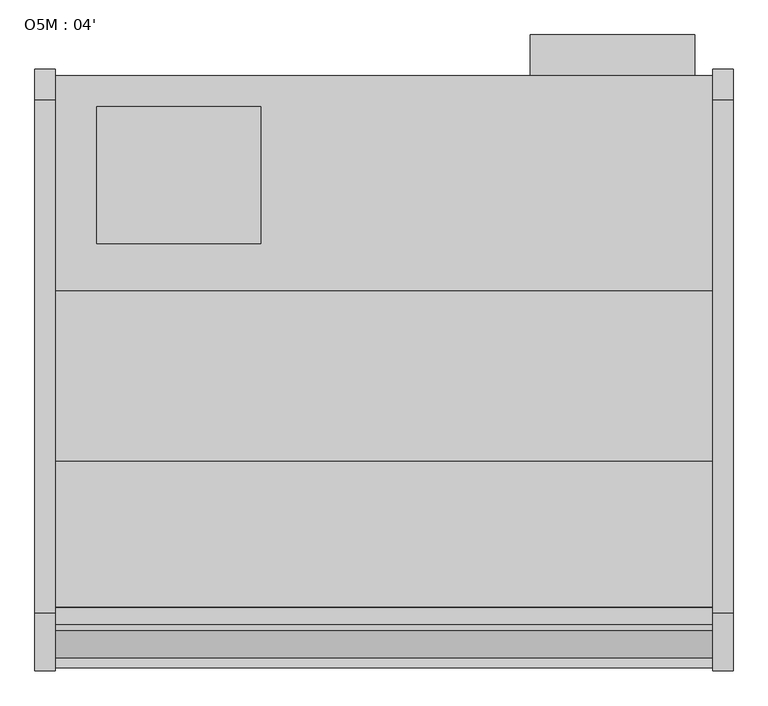
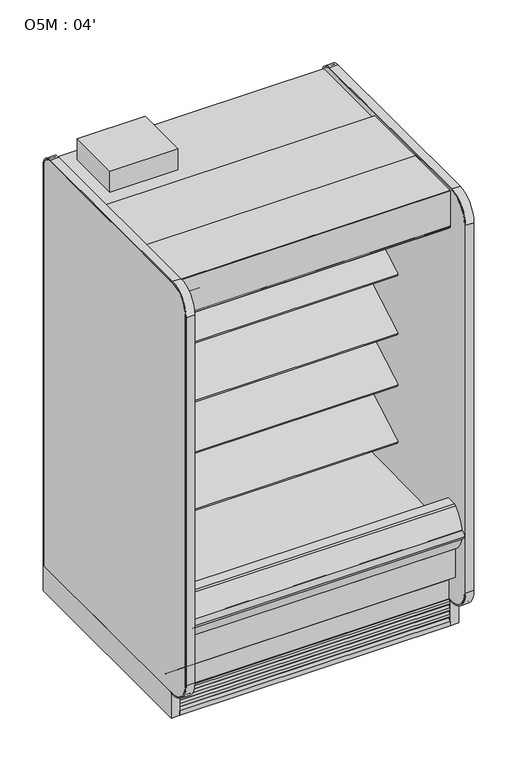
"""IFC4 building model written with IfcOpenShell, lengths in millimetres: proxy geometry, O5M : 04'."""

from ifc_helpers import new_model, si_unit, point, frame, frame_2d, origin, origin_with_axes, place, context, project, spatial, polyline, circle_curve, trimmed, segment, composite_curve, outline, extrude, faceted_brep, source, transform, mapped, element, save
from ifc_brep_helpers import plane_surface, cylinder_surface, revolved_surface, advanced_brep


def o5m_04_f3eb5bb6(model_context):
    return source(origin(), model_context, "Body", "SolidModel", [
        extrude(outline(polyline([(1186.0746572, -325.3089273), (1186.0746572, -401.5089273), (881.2156609, -401.5089273), (881.2156609, -325.3089273), (1186.0746572, -325.3089273)])), frame((0.0, 0.0, 487.7641214), z_axis=(0.0, 0.0, 1.0), x_axis=(1.0, 0.0, 0.0)), (0.0, 0.0, 1.0), 1371.6),
        extrude(outline(polyline([(381.0, -458.6589273), (381.0, -712.6589273), (76.2, -712.6589273), (76.2, -458.6589273), (381.0, -458.6589273)])), frame((0.0, 0.0, 2053.8264246), z_axis=(0.0, 0.0, 1.0), x_axis=(1.0, 0.0, 0.0)), (0.0, 0.0, 1.0), 101.6),
        extrude(outline(composite_curve([segment(polyline([(-1223.3628541, 1962.3210235), (-1255.895115, 1950.4802489)]), True, "CONTINUOUS"), segment(trimmed(circle_curve(frame_2d((-1256.3757176, 1951.8006938)), 1.4051881), [point((-1255.895115, 1950.4802489))], [point((-1256.9695758, 1950.5271609))], False, "CARTESIAN"), True, "CONTINUOUS"), segment(polyline([(-1256.9695758, 1950.5271609), (-1280.8329852, 1961.6548515)]), True, "CONTINUOUS"), segment(trimmed(circle_curve(frame_2d((-1281.445949, 1960.3403465)), 1.4503958), [point((-1280.8329852, 1961.6548515))], [point((-1281.7308358, 1961.7624883))], True, "CARTESIAN"), True, "CONTINUOUS"), segment(polyline([(-1281.7308358, 1961.7624883), (-1385.7279137, 1933.8965553), (-1386.0503089, 1932.9043249), (-1386.0503089, 1919.5570618), (-1386.9647089, 1919.5570618), (-1386.9647089, 1903.1893853)]), True, "CONTINUOUS"), segment(trimmed(circle_curve(frame_2d((-1385.3772089, 1903.1893853)), 1.5875), [point((-1386.9647089, 1903.1893853))], [point((-1385.8940483, 1901.6883745))], True, "CARTESIAN"), True, "CONTINUOUS"), segment(polyline([(-1385.8940483, 1901.6883745), (-1375.7025605, 1898.1791638)]), True, "CONTINUOUS"), segment(trimmed(circle_curve(frame_2d((-1375.1857211, 1899.6801746)), 1.5875), [point((-1375.7025605, 1898.1791638))], [point((-1374.0631891, 1898.5576426))], True, "CARTESIAN"), True, "CONTINUOUS"), segment(polyline([(-1374.0631891, 1898.5576426), (-1370.6686523, 1901.9521794), (-1370.1043685, 1901.3878956), (-1373.6142806, 1898.1085254)]), True, "CONTINUOUS"), segment(trimmed(circle_curve(frame_2d((-1375.1856584, 1899.6799031)), 2.2222637), [point((-1373.6142806, 1898.1085254))], [point((-1375.9092963, 1897.5787596))], False, "CARTESIAN"), True, "CONTINUOUS"), segment(polyline([(-1375.9092963, 1897.5787596), (-1386.1540366, 1901.1070681)]), True, "CONTINUOUS"), segment(trimmed(circle_curve(frame_2d((-1385.3772089, 1903.1893853)), 2.2225), [point((-1386.1540366, 1901.1070681))], [point((-1387.5997089, 1903.1893853))], False, "CARTESIAN"), True, "CONTINUOUS"), segment(polyline([(-1387.5997089, 1903.1893853), (-1387.5997089, 2005.4901368), (-1352.415, 2053.8264246), (-1280.5248155, 2053.8264246), (-1280.5248155, 2003.6360246), (-1220.831024, 2003.6360246), (-1220.831024, 1914.23035)]), True, "CONTINUOUS"), segment(trimmed(circle_curve(frame_2d((-1218.9441858, 1914.23035)), 1.8868382), [point((-1220.831024, 1914.23035))], [point((-1219.3143335, 1912.3801746))], True, "CARTESIAN"), True, "CONTINUOUS"), segment(polyline([(-1219.3143335, 1912.3801746), (-1211.3098155, 1912.3801746), (-1211.3098155, 1911.5761369), (-1220.1967179, 1911.5761369)]), True, "CONTINUOUS"), segment(trimmed(circle_curve(frame_2d((-1220.1967179, 1913.8074915)), 2.2313546), [point((-1220.1967179, 1911.5761369))], [point((-1222.4223155, 1913.9676746))], False, "CARTESIAN"), True, "CONTINUOUS"), segment(polyline([(-1222.4223155, 1913.9676746), (-1222.4223155, 1917.7806084), (-1223.2619623, 1917.5556257), (-1229.5259839, 1917.5556257), (-1229.5259839, 1918.4700257), (-1223.4631915, 1918.4700257), (-1222.7791089, 1918.864981), (-1222.7791089, 1961.9122807)]), True, "CONTINUOUS"), segment(trimmed(circle_curve(frame_2d((-1223.2140839, 1961.9122807)), 0.434975), [point((-1222.7791089, 1961.9122807))], [point((-1223.3628541, 1962.3210235))], True, "CARTESIAN"), True, "CONTINUOUS")], self_intersect=False)), frame((0.0, 0.0, 0.0), z_axis=(1.0, 0.0, 0.0), x_axis=(0.0, 1.0, 0.0)), (0.0, 0.0, 1.0), 1219.2),
        extrude(outline(composite_curve([segment(polyline([(-1116.9246089, 2072.8764246), (-1116.9246089, 2072.0890246), (-1386.8059589, 2072.0890246)]), True, "CONTINUOUS"), segment(trimmed(circle_curve(frame_2d((-1386.8059589, 2071.2952746)), 0.79375), [point((-1386.8059589, 2072.0890246))], [point((-1387.5997089, 2071.2952746))], True, "CARTESIAN"), True, "CONTINUOUS"), segment(polyline([(-1387.5997089, 2071.2952746), (-1387.5997089, 1896.6893246)]), True, "CONTINUOUS"), segment(trimmed(circle_curve(frame_2d((-1386.8059589, 1896.6893246)), 0.79375), [point((-1387.5997089, 1896.6893246))], [point((-1386.8059589, 1895.8955746))], True, "CARTESIAN"), True, "CONTINUOUS"), segment(polyline([(-1386.8059589, 1895.8955746), (-1363.7745089, 1895.8955746)]), True, "CONTINUOUS"), segment(trimmed(circle_curve(frame_2d((-1363.7745089, 1896.6893246)), 0.79375), [point((-1363.7745089, 1895.8955746))], [point((-1362.9807589, 1896.6893246))], True, "CARTESIAN"), True, "CONTINUOUS"), segment(polyline([(-1362.9807589, 1896.6893246), (-1362.9807589, 1907.8081746), (-1362.1933589, 1907.8081746), (-1362.1933589, 1896.6893246)]), True, "CONTINUOUS"), segment(trimmed(circle_curve(frame_2d((-1363.7745089, 1896.6893246)), 1.58115), [point((-1362.1933589, 1896.6893246))], [point((-1363.7745089, 1895.1081746))], False, "CARTESIAN"), True, "CONTINUOUS"), segment(polyline([(-1363.7745089, 1895.1081746), (-1386.8059589, 1895.1081746)]), True, "CONTINUOUS"), segment(trimmed(circle_curve(frame_2d((-1386.8059589, 1896.6893246)), 1.58115), [point((-1386.8059589, 1895.1081746))], [point((-1388.3871089, 1896.6893246))], False, "CARTESIAN"), True, "CONTINUOUS"), segment(polyline([(-1388.3871089, 1896.6893246), (-1388.3871089, 2071.2952746)]), True, "CONTINUOUS"), segment(trimmed(circle_curve(frame_2d((-1386.8059589, 2071.2952746)), 1.58115), [point((-1388.3871089, 2071.2952746))], [point((-1386.8059589, 2072.8764246))], False, "CARTESIAN"), True, "CONTINUOUS"), segment(polyline([(-1386.8059589, 2072.8764246), (-1116.9246089, 2072.8764246)]), True, "CONTINUOUS")], self_intersect=False)), frame((0.0, 0.0, 0.0), z_axis=(1.0, 0.0, 0.0), x_axis=(0.0, 1.0, 0.0)), (0.0, 0.0, 1.0), 1219.2),
        extrude(outline(composite_curve([segment(trimmed(circle_curve(frame_2d((1019.7213661, -973.0089273)), 12.7), [point((1007.0213661, -973.0089273))], [point((1032.4213661, -973.0089273))], False, "CARTESIAN"), True, "CONTINUOUS"), segment(trimmed(circle_curve(frame_2d((1019.7213661, -973.0089273)), 12.7), [point((1032.4213661, -973.0089273))], [point((1007.0213661, -973.0089273))], False, "CARTESIAN"), True, "CONTINUOUS")], self_intersect=False)), frame((0.0, 0.0, 66.7090149), z_axis=(0.0, 0.0, 1.0), x_axis=(1.0, 0.0, 0.0)), (0.0, 0.0, 1.0), 57.1159851),
        extrude(outline(composite_curve([segment(trimmed(circle_curve(frame_2d((970.2446927, -973.0089273)), 9.525), [point((960.7196927, -973.0089273))], [point((979.7696927, -973.0089273))], False, "CARTESIAN"), True, "CONTINUOUS"), segment(trimmed(circle_curve(frame_2d((970.2446927, -973.0089273)), 9.525), [point((979.7696927, -973.0089273))], [point((960.7196927, -973.0089273))], False, "CARTESIAN"), True, "CONTINUOUS")], self_intersect=False)), frame((0.0, 0.0, 66.7090149), z_axis=(0.0, 0.0, 1.0), x_axis=(1.0, 0.0, 0.0)), (0.0, 0.0, 1.0), 57.1159851),
        extrude(outline(composite_curve([segment(polyline([(-504.9331995, 1155.9321635), (-504.9331995, 1090.8241822), (-525.0625548, 1079.2024935)]), True, "CONTINUOUS"), segment(trimmed(circle_curve(frame_2d((-538.1347002, 1100.9804414)), 25.4), [point((-525.0625548, 1079.2024935))], [point((-542.0987552, 1075.8916737))], False, "CARTESIAN"), True, "CONTINUOUS"), segment(polyline([(-542.0987552, 1075.8916737), (-564.7817265, 1079.47561)]), True, "CONTINUOUS"), segment(trimmed(circle_curve(frame_2d((-574.6918641, 1016.7536906)), 63.5), [point((-564.7817265, 1079.47561))], [point((-599.3555643, 1075.2682349))], True, "CARTESIAN"), True, "CONTINUOUS"), segment(polyline([(-599.3555643, 1075.2682349), (-848.9833062, 958.5086882), (-851.9929005, 960.7439055), (-975.1938258, 889.6138181), (-982.3058258, 901.9321635), (-542.3649207, 1155.9321635), (-504.9331995, 1155.9321635)]), True, "CONTINUOUS")], self_intersect=False)), frame((0.0, 0.0, 0.0), z_axis=(1.0, 0.0, 0.0), x_axis=(0.0, 1.0, 0.0)), (0.0, 0.0, 1.0), 1219.2),
        extrude(outline(composite_curve([segment(polyline([(-504.9331995, 883.8140898), (-504.9331995, 818.7061085), (-525.0625548, 807.0844198)]), True, "CONTINUOUS"), segment(trimmed(circle_curve(frame_2d((-538.1347002, 828.8623677)), 25.4), [point((-525.0625548, 807.0844198))], [point((-542.0987552, 803.7736))], False, "CARTESIAN"), True, "CONTINUOUS"), segment(polyline([(-542.0987552, 803.7736), (-564.7817265, 807.3575363)]), True, "CONTINUOUS"), segment(trimmed(circle_curve(frame_2d((-574.6918641, 744.6356169)), 63.5), [point((-564.7817265, 807.3575363))], [point((-599.3555643, 803.1501612))], True, "CARTESIAN"), True, "CONTINUOUS"), segment(polyline([(-599.3555643, 803.1501612), (-848.9833062, 686.3906146), (-851.9929005, 688.6258319), (-975.1938258, 617.4957444), (-982.3058258, 629.8140898), (-542.3649207, 883.8140898), (-504.9331995, 883.8140898)]), True, "CONTINUOUS")], self_intersect=False)), frame((0.0, 0.0, 0.0), z_axis=(1.0, 0.0, 0.0), x_axis=(0.0, 1.0, 0.0)), (0.0, 0.0, 1.0), 1219.2),
        extrude(outline(composite_curve([segment(polyline([(-504.9331995, 1400.2899942), (-504.9331995, 1335.182013), (-525.0625548, 1323.5603243)]), True, "CONTINUOUS"), segment(trimmed(circle_curve(frame_2d((-538.1347002, 1345.3382722)), 25.4), [point((-525.0625548, 1323.5603243))], [point((-542.0987552, 1320.2495044))], False, "CARTESIAN"), True, "CONTINUOUS"), segment(polyline([(-542.0987552, 1320.2495044), (-564.7817265, 1323.8334408)]), True, "CONTINUOUS"), segment(trimmed(circle_curve(frame_2d((-574.6918641, 1261.1115214)), 63.5), [point((-564.7817265, 1323.8334408))], [point((-599.3555643, 1319.6260657))], True, "CARTESIAN"), True, "CONTINUOUS"), segment(polyline([(-599.3555643, 1319.6260657), (-848.9833062, 1202.866519), (-851.9929005, 1205.1017363), (-975.1938258, 1133.9716489), (-982.3058258, 1146.2899942), (-542.3649207, 1400.2899942), (-504.9331995, 1400.2899942)]), True, "CONTINUOUS")], self_intersect=False)), frame((0.0, 0.0, 0.0), z_axis=(1.0, 0.0, 0.0), x_axis=(0.0, 1.0, 0.0)), (0.0, 0.0, 1.0), 1219.2),
        extrude(outline(polyline([(711.2, -1346.7911816), (403.225, -1346.7911816), (403.225, -1249.5865659), (711.2, -1249.5865659), (711.2, -1346.7911816)])), frame((0.0, 0.0, 53.2186364), z_axis=(0.0, 0.0, 1.0), x_axis=(1.0, 0.0, 0.0)), (0.0, 0.0, 1.0), 9.8914),
        faceted_brep([(1219.2, -1207.9589273, 130.175), (1219.2, -1275.0830824, 130.175), (1219.2, -1369.8839273, 206.7143253), (1219.2, -1369.8839273, 10.9768116), (1219.2, -1207.9589273, 10.9768116), (0.0, -1207.9589273, 130.175), (0.0, -1207.9589273, 10.9768116), (0.0, -1369.8839273, 10.9768116), (0.0, -1369.8839273, 206.7143253), (0.0, -1275.0830824, 130.175), (711.2, -1346.7911816, 10.9768116), (711.2, -1249.5865659, 10.9768116), (403.225, -1249.5865659, 10.9768116), (403.225, -1346.7911816, 10.9768116), (711.2, -1346.7911816, 63.1100364), (403.225, -1346.7911816, 63.1100364), (403.225, -1249.5865659, 63.1100364), (711.2, -1249.5865659, 63.1100364)], [[[0, 1, 2, 3, 4]], [[5, 6, 7, 8, 9]], [[1, 0, 5, 9]], [[2, 1, 9, 8]], [[3, 2, 8, 7]], [[4, 3, 7, 6], [10, 11, 12, 13]], [[0, 4, 6, 5]], [[14, 15, 16, 17]], [[14, 17, 11, 10]], [[17, 16, 12, 11]], [[16, 15, 13, 12]], [[15, 14, 10, 13]]]),
        extrude(outline(composite_curve([segment(trimmed(circle_curve(frame_2d((368.3, 1139.6090336)), 12.7), [point((368.3, 1152.3090336))], [point((368.3, 1126.9090336))], False, "CARTESIAN"), True, "CONTINUOUS"), segment(trimmed(circle_curve(frame_2d((368.3, 1139.6090336)), 12.7), [point((368.3, 1126.9090336))], [point((368.3, 1152.3090336))], False, "CARTESIAN"), True, "CONTINUOUS")], self_intersect=False)), frame((0.0, -447.5561252, 0.0), z_axis=(0.0, 1.0, 0.0), x_axis=(0.0, 0.0, 1.0)), (0.0, 0.0, 1.0), 52.3971979),
        extrude(outline(composite_curve([segment(trimmed(circle_curve(frame_2d((368.3, 1101.1972115)), 9.525), [point((368.3, 1110.7222115))], [point((368.3, 1091.6722115))], False, "CARTESIAN"), True, "CONTINUOUS"), segment(trimmed(circle_curve(frame_2d((368.3, 1101.1972115)), 9.525), [point((368.3, 1091.6722115))], [point((368.3, 1110.7222115))], False, "CARTESIAN"), True, "CONTINUOUS")], self_intersect=False)), frame((0.0, -447.5561252, 0.0), z_axis=(0.0, 1.0, 0.0), x_axis=(0.0, 0.0, 1.0)), (0.0, 0.0, 1.0), 52.3971979),
        extrude(outline(composite_curve([segment(polyline([(-451.7851762, 2003.6360246), (-451.7851762, 404.745884), (-504.9331995, 404.745884), (-504.9331995, 1926.7316344)]), True, "CONTINUOUS"), segment(trimmed(circle_curve(frame_2d((-530.2144075, 1924.2779595)), 25.4), [point((-504.9331995, 1926.7316344))], [point((-530.1770065, 1949.6779319))], True, "CARTESIAN"), True, "CONTINUOUS"), segment(polyline([(-530.1770065, 1949.6779319), (-1117.9341687, 1949.6779319), (-1117.9341687, 1918.6360743)]), True, "CONTINUOUS"), segment(trimmed(circle_curve(frame_2d((-1120.1564596, 1918.6360743)), 2.2222909), [point((-1117.9341687, 1918.6360743))], [point((-1120.1564596, 1916.4137834))], False, "CARTESIAN"), True, "CONTINUOUS"), segment(polyline([(-1120.1564596, 1916.4137834), (-1129.6207909, 1916.4137834)]), True, "CONTINUOUS"), segment(trimmed(circle_curve(frame_2d((-1129.6207909, 1916.7312834)), 0.3175), [point((-1129.6207909, 1916.4137834))], [point((-1129.6207909, 1917.0487834))], False, "CARTESIAN"), True, "CONTINUOUS"), segment(polyline([(-1129.6207909, 1917.0487834), (-1120.1566687, 1917.0487834)]), True, "CONTINUOUS"), segment(trimmed(circle_curve(frame_2d((-1120.1566687, 1918.6362834)), 1.5875), [point((-1120.1566687, 1917.0487834))], [point((-1118.5691687, 1918.6362834))], True, "CARTESIAN"), True, "CONTINUOUS"), segment(polyline([(-1118.5691687, 1918.6362834), (-1118.5691687, 1942.4487846), (-1220.1998155, 1942.4487846), (-1220.1998155, 1918.6362834)]), True, "CONTINUOUS"), segment(trimmed(circle_curve(frame_2d((-1218.6123155, 1918.6362834)), 1.5875), [point((-1220.1998155, 1918.6362834))], [point((-1218.6123155, 1917.0487834))], True, "CARTESIAN"), True, "CONTINUOUS"), segment(polyline([(-1218.6123155, 1917.0487834), (-1209.9959099, 1917.0487834)]), True, "CONTINUOUS"), segment(trimmed(circle_curve(frame_2d((-1209.9959099, 1916.7312834)), 0.3175), [point((-1209.9959099, 1917.0487834))], [point((-1209.9959099, 1916.4137834))], False, "CARTESIAN"), True, "CONTINUOUS"), segment(polyline([(-1209.9959099, 1916.4137834), (-1218.6125246, 1916.4137834)]), True, "CONTINUOUS"), segment(trimmed(circle_curve(frame_2d((-1218.6125246, 1918.6360743)), 2.2222909), [point((-1218.6125246, 1916.4137834))], [point((-1220.8348155, 1918.6362834))], False, "CARTESIAN"), True, "CONTINUOUS"), segment(polyline([(-1220.8348155, 1918.6362834), (-1220.8268179, 2003.6360246), (-451.7851762, 2003.6360246)]), True, "CONTINUOUS")], self_intersect=False)), frame((0.0, 0.0, 0.0), z_axis=(1.0, 0.0, 0.0), x_axis=(0.0, 1.0, 0.0)), (0.0, 0.0, 1.0), 1219.2),
        advanced_brep(
        [(1219.2, -1428.7889874, 391.24255), (1219.2, -1428.7889874, 254.2724833), (1219.2, -1275.0830824, 130.175), (1219.2, -401.5089273, 130.175), (1219.2, -401.5089273, 2053.8264246), (1219.2, -1280.5248155, 2053.8264246), (1219.2, -1280.5248155, 2003.6360246), (1219.2, -451.7851762, 2003.6360246), (1219.2, -451.7851762, 363.9695251), (1219.2, -599.5014929, 211.662363), (1219.2, -1043.5931205, 195.6779213), (1219.2, -1096.7050237, 157.095884), (1219.2, -1163.5210307, 157.095884), (1219.2, -1221.5656168, 189.2720563), (1219.2, -1379.2843872, 341.5792153), (1219.2, -1379.2843872, 391.24255), (0.0, -1428.7889874, 391.24255), (0.0, -1379.2843872, 391.24255), (0.0, -1379.2843872, 341.5792153), (0.0, -1221.5656168, 189.2720563), (0.0, -1163.5210307, 157.095884), (0.0, -1096.7050237, 157.095884), (0.0, -1043.5931205, 195.6779213), (0.0, -599.5014929, 211.662363), (0.0, -451.7851762, 363.9695251), (0.0, -451.7851762, 2003.6360246), (0.0, -1280.5248155, 2003.6360246), (0.0, -1280.5248155, 2053.8264246), (0.0, -401.5089273, 2053.8264246), (0.0, -401.5089273, 130.175), (0.0, -1275.0830824, 130.175), (0.0, -1428.7889874, 254.2724833), (1117.6, -401.5089273, 317.5), (1117.6, -401.5089273, 419.1), (1117.6, -447.5561252, 317.5), (1117.6, -447.5561252, 419.1)],
        [
            (0, 1),
            (1, 2),
            (2, 3),
            (3, 4),
            (4, 5),
            (5, 6),
            (6, 7),
            (7, 8),
            (8, 9, circle_curve(frame((1219.2, -605.0132276, 364.7934683), z_axis=(-1.0, 0.0, 0.0), x_axis=(0.0, 1.0, 0.0)), 153.2302667)),
            (9, 10),
            (10, 11),
            (11, 12),
            (12, 13),
            (13, 14, circle_curve(frame((1219.2, -1226.8843872, 341.5792153), z_axis=(-1.0, 0.0, 0.0), x_axis=(0.0, 1.0, 0.0)), 152.4)),
            (14, 15),
            (15, 0),
            (16, 17),
            (17, 18),
            (18, 19, circle_curve(frame((0.0, -1226.8843872, 341.5792153), z_axis=(1.0, 0.0, 0.0), x_axis=(0.0, 1.0, 0.0)), 152.4)),
            (19, 20),
            (20, 21),
            (21, 22),
            (22, 23),
            (23, 24, circle_curve(frame((0.0, -605.0132276, 364.7934683), z_axis=(1.0, 0.0, 0.0), x_axis=(0.0, 1.0, 0.0)), 153.2302667)),
            (24, 25),
            (25, 26),
            (26, 27),
            (27, 28),
            (28, 29),
            (29, 30),
            (30, 31),
            (31, 16),
            (0, 16),
            (31, 1),
            (30, 2),
            (29, 3),
            (28, 4),
            (32, 33, circle_curve(frame((1117.6, -401.5089273, 368.3), z_axis=(0.0, -1.0, 0.0), x_axis=(0.0, 0.0, 1.0)), 50.8)),
            (33, 32, circle_curve(frame((1117.6, -401.5089273, 368.3), z_axis=(0.0, -1.0, 0.0), x_axis=(0.0, 0.0, 1.0)), 50.8)),
            (27, 5),
            (26, 6),
            (25, 7),
            (24, 8),
            (23, 9),
            (22, 10),
            (21, 11),
            (20, 12),
            (19, 13),
            (18, 14),
            (17, 15),
            (34, 35, circle_curve(frame((1117.6, -447.5561252, 368.3), z_axis=(0.0, 1.0, 0.0), x_axis=(0.0, 0.0, 1.0)), 50.8)),
            (35, 34, circle_curve(frame((1117.6, -447.5561252, 368.3), z_axis=(0.0, 1.0, 0.0), x_axis=(0.0, 0.0, 1.0)), 50.8)),
            (35, 33),
            (32, 34),
        ],
        [
            plane_surface(frame((1219.2, -1428.7889874, 254.2724833), z_axis=(1.0, 0.0, 0.0), x_axis=(0.0, 0.0, -1.0))),
            plane_surface(frame((0.0, -1428.7889874, 254.2724833), z_axis=(-1.0, 0.0, 0.0), x_axis=(0.0, 0.0, 1.0))),
            plane_surface(frame((1219.2, -1428.7889874, 391.24255), z_axis=(0.0, -1.0, 0.0), x_axis=(-1.0, 0.0, 0.0))),
            plane_surface(frame((1219.2, -1428.7889874, 254.2724833), z_axis=(0.0, -0.6281851642637378, -0.7780638787393622), x_axis=(-1.0, 0.0, 0.0))),
            plane_surface(frame((1219.2, -1275.0830824, 130.175), z_axis=(0.0, 0.0, -1.0), x_axis=(-1.0, 0.0, 0.0))),
            plane_surface(frame((1219.2, -401.5089273, 130.175), z_axis=(0.0, 1.0, 0.0), x_axis=(-1.0, 0.0, 0.0))),
            plane_surface(frame((1219.2, -401.5089273, 2053.8264246), z_axis=(0.0, 0.0, 1.0), x_axis=(-1.0, 0.0, 0.0))),
            plane_surface(frame((1219.2, -1280.5248155, 2053.8264246), z_axis=(0.0, -1.0, 0.0), x_axis=(-1.0, 0.0, 0.0))),
            plane_surface(frame((1219.2, -1280.5248155, 2003.6360246), z_axis=(0.0, 0.0, -1.0), x_axis=(-1.0, 0.0, 0.0))),
            plane_surface(frame((1219.2, -451.7851762, 2003.6360246), z_axis=(0.0, -1.0, 0.0), x_axis=(-1.0, 0.0, 0.0))),
            revolved_surface(polyline([(0.0, -451.78296090000003, 364.7934683), (1219.2, -451.78296090000003, 364.7934683)]), (0.0, -605.0132276, 364.7934683), (-1.0, 0.0, 0.0)),
            plane_surface(frame((1219.2, -599.5014929, 211.662363), z_axis=(0.0, -0.035970274152171335, 0.9993528602938092), x_axis=(-1.0, 0.0, 0.0))),
            plane_surface(frame((1219.2, -1043.5931205, 195.6779213), z_axis=(0.0, -0.5877252382160976, 0.8090605937529224), x_axis=(-1.0, 0.0, 0.0))),
            plane_surface(frame((1219.2, -1096.7050237, 157.095884), z_axis=(0.0, 0.0, 1.0), x_axis=(-1.0, 0.0, 0.0))),
            plane_surface(frame((1219.2, -1163.5210307, 157.095884), z_axis=(0.0, 0.48482728759131516, 0.8746099137368889), x_axis=(-1.0, 0.0, 0.0))),
            revolved_surface(polyline([(0.0, -1074.4843872, 341.5792153), (1219.2, -1074.4843872, 341.5792153)]), (0.0, -1226.8843872, 341.5792153), (-1.0, 0.0, 0.0)),
            plane_surface(frame((1219.2, -1379.2843872, 341.5792153), z_axis=(0.0, 1.0, 0.0), x_axis=(-1.0, 0.0, 0.0))),
            plane_surface(frame((1219.2, -1379.2843872, 391.24255), z_axis=(0.0, 0.0, 1.0), x_axis=(-1.0, 0.0, 0.0))),
            plane_surface(frame((1117.6, -447.5561252, 419.1), z_axis=(0.0, 1.0, 0.0), x_axis=(-1.0, 0.0, 0.0))),
            revolved_surface(polyline([(1117.6, -447.5561252, 419.1), (1117.6, -401.5089273, 419.1)]), (1117.6, -401.5089273, 368.3), (0.0, -1.0, 0.0)),
        ],
        [
            (0, [[1, 2, 3, 4, 5, 6, 7, 8, 9, 10, 11, 12, 13, 14, 15, 16]]),
            (1, [[17, 18, 19, 20, 21, 22, 23, 24, 25, 26, 27, 28, 29, 30, 31, 32]]),
            (2, [[-1, 33, -32, 34]]),
            (3, [[-2, -34, -31, 35]]),
            (4, [[-3, -35, -30, 36]]),
            (5, [[-4, -36, -29, 37], [38, 39]]),
            (6, [[-5, -37, -28, 40]]),
            (7, [[-6, -40, -27, 41]]),
            (8, [[-7, -41, -26, 42]]),
            (9, [[-8, -42, -25, 43]]),
            (10, [[-9, -43, -24, 44]]),
            (11, [[-10, -44, -23, 45]]),
            (12, [[-11, -45, -22, 46]]),
            (13, [[-12, -46, -21, 47]]),
            (14, [[-13, -47, -20, 48]]),
            (15, [[-14, -48, -19, 49]]),
            (16, [[-15, -49, -18, 50]]),
            (17, [[-16, -50, -17, -33]]),
            (18, [[51, 52]]),
            (19, [[-52, 53, -38, 54]]),
            (19, [[-51, -54, -39, -53]]),
        ],
    ),
        advanced_brep(
        [(1219.2, -1221.5656168, 189.2720563), (1219.2, -1163.5210307, 157.095884), (1219.2, -1096.7050237, 157.095884), (1219.2, -1043.5931205, 195.6779213), (1219.2, -599.5014929, 211.662363), (1219.2, -451.7851762, 363.9695251), (1219.2, -451.7851762, 404.745884), (1219.2, -504.9543965, 404.745884), (1219.2, -504.9543965, 468.8781737), (1219.2, -516.6398058, 457.951581), (1219.2, -611.5826347, 451.2993262), (1219.2, -611.5826347, 459.5548668), (1219.2, -1324.1043965, 447.1177532), (1219.2, -1324.1043965, 521.1947919), (1219.2, -1379.2843872, 521.1947919), (1219.2, -1379.2843872, 341.5792153), (0.0, -1221.5656168, 189.2720563), (0.0, -1379.2843872, 341.5792153), (0.0, -1379.2843872, 521.1947919), (0.0, -1324.1043965, 521.1947919), (0.0, -1324.1043965, 447.1177532), (0.0, -611.5826347, 459.5548668), (0.0, -611.5826347, 451.2993262), (0.0, -516.6285003, 457.9391661), (0.0, -504.9543965, 468.8781737), (0.0, -504.9543965, 404.745884), (0.0, -451.7851762, 404.745884), (0.0, -451.7851762, 363.9695251), (0.0, -599.5014929, 211.662363), (0.0, -1043.5931205, 195.6779213), (0.0, -1096.7050237, 157.095884), (0.0, -1163.5210307, 157.095884)],
        [
            (0, 1),
            (1, 2),
            (2, 3),
            (3, 4),
            (4, 5, circle_curve(frame((1219.2, -605.0132276, 364.7934683), z_axis=(1.0, 0.0, 0.0), x_axis=(0.0, 1.0, 0.0)), 153.2302667)),
            (5, 6),
            (6, 7),
            (7, 8),
            (8, 9, circle_curve(frame((1219.2, -517.5249667, 470.6099714), z_axis=(-1.0, 0.0, 0.0), x_axis=(0.0, 1.0, 0.0)), 12.689301)),
            (9, 10),
            (10, 11),
            (11, 12),
            (12, 13),
            (13, 14),
            (14, 15),
            (15, 0, circle_curve(frame((1219.2, -1226.8843872, 341.5792153), z_axis=(1.0, 0.0, 0.0), x_axis=(0.0, 1.0, 0.0)), 152.4)),
            (16, 17, circle_curve(frame((0.0, -1226.8843872, 341.5792153), z_axis=(-1.0, 0.0, 0.0), x_axis=(0.0, 1.0, 0.0)), 152.4)),
            (17, 18),
            (18, 19),
            (19, 20),
            (20, 21),
            (21, 22),
            (22, 23),
            (23, 24, circle_curve(frame((0.0, -517.5249667, 470.6099714), z_axis=(1.0, 0.0, 0.0), x_axis=(0.0, 1.0, 0.0)), 12.689301)),
            (24, 25),
            (25, 26),
            (26, 27),
            (27, 28, circle_curve(frame((0.0, -605.0132276, 364.7934683), z_axis=(-1.0, 0.0, 0.0), x_axis=(0.0, 1.0, 0.0)), 153.2302667)),
            (28, 29),
            (29, 30),
            (30, 31),
            (31, 16),
            (14, 18),
            (17, 15),
            (16, 0),
            (31, 1),
            (30, 2),
            (29, 3),
            (28, 4),
            (27, 5),
            (26, 6),
            (25, 7),
            (24, 8),
            (23, 9),
            (22, 10),
            (21, 11),
            (20, 12),
            (19, 13),
        ],
        [
            plane_surface(frame((1219.2, -1221.5656168, 189.2720563), z_axis=(1.0, 0.0, 0.0), x_axis=(0.0, 0.8746099137368883, -0.48482728759131605))),
            plane_surface(frame((0.0, -1221.5656168, 189.2720563), z_axis=(-1.0, 0.0, 0.0), x_axis=(0.0, -0.8746099137368883, 0.48482728759131605))),
            plane_surface(frame((1219.2, -1379.2843872, 521.1947919), z_axis=(0.0, -1.0, 0.0), x_axis=(-1.0, 0.0, 0.0))),
            cylinder_surface(frame((0.0, -1226.8843872, 341.5792153), z_axis=(1.0, 0.0, 0.0), x_axis=(0.0, 1.0, 0.0)), 152.4),
            plane_surface(frame((1219.2, -1221.5656168, 189.2720563), z_axis=(0.0, -0.48482728759131605, -0.8746099137368883), x_axis=(-1.0, 0.0, 0.0))),
            plane_surface(frame((1219.2, -1163.5210307, 157.095884), z_axis=(0.0, 0.0, -1.0), x_axis=(-1.0, 0.0, 0.0))),
            plane_surface(frame((1219.2, -1096.7050237, 157.095884), z_axis=(0.0, 0.5877252382160976, -0.8090605937529224), x_axis=(-1.0, 0.0, 0.0))),
            plane_surface(frame((1219.2, -1043.5931205, 195.6779213), z_axis=(0.0, 0.03597027415217135, -0.9993528602938092), x_axis=(-1.0, 0.0, 0.0))),
            cylinder_surface(frame((0.0, -605.0132276, 364.7934683), z_axis=(1.0, 0.0, 0.0), x_axis=(0.0, 1.0, 0.0)), 153.2302667),
            plane_surface(frame((1219.2, -451.7851762, 363.9695251), z_axis=(0.0, 1.0, 0.0), x_axis=(-1.0, 0.0, 0.0))),
            plane_surface(frame((1219.2, -451.7851762, 404.745884), z_axis=(0.0, 0.0, 1.0), x_axis=(-1.0, 0.0, 0.0))),
            plane_surface(frame((1219.2, -504.9543965, 404.745884), z_axis=(0.0, 1.0, 0.0), x_axis=(-1.0, 0.0, 0.0))),
            revolved_surface(polyline([(0.0, -504.83566570000005, 470.6099714), (1219.2, -504.83566570000005, 470.6099714)]), (0.0, -517.5249667, 470.6099714), (-1.0, 0.0, 0.0)),
            plane_surface(frame((1219.2, -516.6285003, 457.9391661), z_axis=(0.0, -0.06975647369769093, 0.9975640502630714), x_axis=(-1.0, 0.0, 0.0))),
            plane_surface(frame((1219.2, -611.5826347, 451.2993262), z_axis=(0.0, 1.0, 0.0), x_axis=(-1.0, 0.0, 0.0))),
            plane_surface(frame((1219.2, -611.5826347, 459.5548668), z_axis=(0.0, -0.017452406437283387, 0.9998476951563913), x_axis=(-1.0, 0.0, 0.0))),
            plane_surface(frame((1219.2, -1324.1043965, 447.1177532), z_axis=(0.0, 1.0, 0.0), x_axis=(-1.0, 0.0, 0.0))),
            plane_surface(frame((1219.2, -1324.1043965, 521.1947919), z_axis=(0.0, 0.0, 1.0), x_axis=(-1.0, 0.0, 0.0))),
        ],
        [
            (0, [[1, 2, 3, 4, 5, 6, 7, 8, 9, 10, 11, 12, 13, 14, 15, 16]]),
            (1, [[17, 18, 19, 20, 21, 22, 23, 24, 25, 26, 27, 28, 29, 30, 31, 32]]),
            (2, [[-15, 33, -18, 34]]),
            (3, [[-16, -34, -17, 35]]),
            (4, [[-1, -35, -32, 36]]),
            (5, [[-2, -36, -31, 37]]),
            (6, [[-3, -37, -30, 38]]),
            (7, [[-4, -38, -29, 39]]),
            (8, [[-5, -39, -28, 40]]),
            (9, [[-6, -40, -27, 41]]),
            (10, [[-7, -41, -26, 42]]),
            (11, [[-8, -42, -25, 43]]),
            (12, [[-9, -43, -24, 44]]),
            (13, [[-10, -44, -23, 45]]),
            (14, [[-11, -45, -22, 46]]),
            (15, [[-12, -46, -21, 47]]),
            (16, [[-13, -47, -20, 48]]),
            (17, [[-14, -48, -19, -33]]),
        ],
    ),
        extrude(outline(composite_curve([segment(trimmed(circle_curve(frame_2d((914.4, -1128.5839273)), 38.1), [point((876.3, -1128.5839273))], [point((952.5, -1128.5839273))], False, "CARTESIAN"), True, "CONTINUOUS"), segment(trimmed(circle_curve(frame_2d((914.4, -1128.5839273)), 38.1), [point((952.5, -1128.5839273))], [point((876.3, -1128.5839273))], False, "CARTESIAN"), True, "CONTINUOUS")], self_intersect=False)), frame((0.0, 0.0, 66.7090149), z_axis=(0.0, 0.0, 1.0), x_axis=(1.0, 0.0, 0.0)), (0.0, 0.0, 1.0), 57.1159851),
        advanced_brep(
        [(1219.2, -401.5089273, 0.0), (1219.2, -401.5089273, 130.175), (1219.2, -1207.9589273, 130.175), (1219.2, -1207.9589273, 0.0), (1219.2, -1161.1594273, 0.0), (1219.2, -1161.1594273, 74.8810382), (1219.2, -446.7209273, 74.8810382), (1219.2, -446.7209273, 0.0), (0.0, -401.5089273, 0.0), (0.0, -446.7209273, 0.0), (0.0, -446.7209273, 74.8810382), (0.0, -1161.1594273, 74.8810382), (0.0, -1161.1594273, 0.0), (0.0, -1207.9589273, 0.0), (0.0, -1207.9589273, 130.175), (0.0, -401.5089273, 130.175), (875.4195331, -1161.1594273, 0.0), (953.3804669, -1161.1594273, 0.0), (953.3804669, -1161.1594273, 74.8810382), (875.4195331, -1161.1594273, 74.8810382), (965.2, -1128.5839273, 74.8810382), (863.6, -1128.5839273, 74.8810382), (946.15, -974.0457909, 74.8810382), (1047.75, -974.0457909, 74.8810382), (863.6, -1128.5839273, 123.825), (965.2, -1128.5839273, 123.825), (946.15, -974.0457909, 123.825), (1047.75, -974.0457909, 123.825)],
        [
            (0, 1),
            (1, 2),
            (2, 3),
            (3, 4),
            (4, 5),
            (5, 6),
            (6, 7),
            (7, 0),
            (8, 9),
            (9, 10),
            (10, 11),
            (11, 12),
            (12, 13),
            (13, 14),
            (14, 15),
            (15, 8),
            (0, 8),
            (15, 1),
            (14, 2),
            (13, 3),
            (12, 16),
            (16, 17, circle_curve(frame((914.4, -1128.5839273, 0.0), z_axis=(0.0, 0.0, 1.0), x_axis=(1.0, 0.0, 0.0)), 50.8)),
            (17, 4),
            (17, 18),
            (18, 5),
            (11, 19),
            (19, 16),
            (18, 20, circle_curve(frame((914.4, -1128.5839273, 74.8810382), z_axis=(0.0, 0.0, 1.0), x_axis=(1.0, 0.0, 0.0)), 50.8)),
            (20, 21, circle_curve(frame((914.4, -1128.5839273, 74.8810382), z_axis=(0.0, 0.0, 1.0), x_axis=(1.0, 0.0, 0.0)), 50.8)),
            (21, 19, circle_curve(frame((914.4, -1128.5839273, 74.8810382), z_axis=(0.0, 0.0, 1.0), x_axis=(1.0, 0.0, 0.0)), 50.8)),
            (10, 6),
            (22, 23, circle_curve(frame((996.95, -974.0457909, 74.8810382), z_axis=(0.0, 0.0, 1.0), x_axis=(1.0, 0.0, 0.0)), 50.8)),
            (23, 22, circle_curve(frame((996.95, -974.0457909, 74.8810382), z_axis=(0.0, 0.0, 1.0), x_axis=(1.0, 0.0, 0.0)), 50.8)),
            (9, 7),
            (24, 25, circle_curve(frame((914.4, -1128.5839273, 123.825), z_axis=(0.0, 0.0, -1.0), x_axis=(1.0, 0.0, 0.0)), 50.8)),
            (25, 24, circle_curve(frame((914.4, -1128.5839273, 123.825), z_axis=(0.0, 0.0, -1.0), x_axis=(1.0, 0.0, 0.0)), 50.8)),
            (25, 20),
            (21, 24),
            (26, 27, circle_curve(frame((996.95, -974.0457909, 123.825), z_axis=(0.0, 0.0, -1.0), x_axis=(1.0, 0.0, 0.0)), 50.8)),
            (27, 26, circle_curve(frame((996.95, -974.0457909, 123.825), z_axis=(0.0, 0.0, -1.0), x_axis=(1.0, 0.0, 0.0)), 50.8)),
            (27, 23),
            (22, 26),
        ],
        [
            plane_surface(frame((1219.2, -401.5089273, 1893.5715584), z_axis=(1.0, 0.0, 0.0), x_axis=(0.0, 0.0, 1.0))),
            plane_surface(frame((0.0, -401.5089273, 1893.5715584), z_axis=(-1.0, 0.0, 0.0), x_axis=(0.0, 0.0, -1.0))),
            plane_surface(frame((1219.2, -401.5089273, 0.0), z_axis=(0.0, 1.0, 0.0), x_axis=(-1.0, 0.0, 0.0))),
            plane_surface(frame((1219.2, -401.5089273, 130.175), z_axis=(0.0, 0.0, 1.0), x_axis=(-1.0, 0.0, 0.0))),
            plane_surface(frame((1219.2, -1207.9589273, 130.175), z_axis=(0.0, -1.0, 0.0), x_axis=(-1.0, 0.0, 0.0))),
            plane_surface(frame((1219.2, -1207.9589273, 0.0), z_axis=(0.0, 0.0, -1.0), x_axis=(-1.0, 0.0, 0.0))),
            plane_surface(frame((1219.2, -1161.1594273, 0.0), z_axis=(0.0, 1.0, 0.0), x_axis=(-1.0, 0.0, 0.0))),
            plane_surface(frame((1219.2, -1161.1594273, 74.8810382), z_axis=(0.0, 0.0, -1.0), x_axis=(-1.0, 0.0, 0.0))),
            plane_surface(frame((1219.2, -446.7209273, 74.8810382), z_axis=(0.0, -1.0, 0.0), x_axis=(-1.0, 0.0, 0.0))),
            plane_surface(frame((1219.2, -446.7209273, 0.0), z_axis=(0.0, 0.0, -1.0), x_axis=(-1.0, 0.0, 0.0))),
            plane_surface(frame((965.2, -1128.5839273, 123.825), z_axis=(0.0, 0.0, -1.0), x_axis=(0.0, 1.0, 0.0))),
            revolved_surface(polyline([(965.1999999999999, -1128.5839273, 123.825), (965.1999999999999, -1128.5839273, 0.0)]), (914.4, -1128.5839273, 0.0), (0.0, 0.0, 1.0)),
            revolved_surface(polyline([(965.1999999999999, -1128.5839273, 123.825), (965.1999999999999, -1128.5839273, 74.8810382)]), (914.4, -1128.5839273, 0.0), (0.0, 0.0, 1.0)),
            plane_surface(frame((1047.75, -974.0457909, 123.825), z_axis=(0.0, 0.0, -1.0), x_axis=(0.0, 1.0, 0.0))),
            revolved_surface(polyline([(1047.75, -974.0457909, 123.825), (1047.75, -974.0457909, 74.8810382)]), (996.95, -974.0457909, 0.0), (0.0, 0.0, 1.0)),
        ],
        [
            (0, [[1, 2, 3, 4, 5, 6, 7, 8]]),
            (1, [[9, 10, 11, 12, 13, 14, 15, 16]]),
            (2, [[-1, 17, -16, 18]]),
            (3, [[-2, -18, -15, 19]]),
            (4, [[-3, -19, -14, 20]]),
            (5, [[-4, -20, -13, 21, 22, 23]]),
            (6, [[-5, -23, 24, 25]]),
            (6, [[-12, 26, 27, -21]]),
            (7, [[-6, -25, 28, 29, 30, -26, -11, 31], [32, 33]]),
            (8, [[-7, -31, -10, 34]]),
            (9, [[-8, -34, -9, -17]]),
            (10, [[35, 36]]),
            (11, [[-36, 37, -28, -24, -22, -27, -30, 38]]),
            (12, [[-35, -38, -29, -37]]),
            (13, [[39, 40]]),
            (14, [[-40, 41, -32, 42]]),
            (14, [[-39, -42, -33, -41]]),
        ],
    ),
        extrude(outline(composite_curve([segment(trimmed(circle_curve(frame_2d((-1218.6123155, 1918.6362834)), 1.5875), [point((-1218.6123155, 1917.0487834))], [point((-1220.1998155, 1918.6362834))], False, "CARTESIAN"), True, "CONTINUOUS"), segment(polyline([(-1220.1998155, 1918.6362834), (-1220.1998155, 1942.4487846), (-1118.5691687, 1942.4487846), (-1118.5691687, 1918.6362834)]), True, "CONTINUOUS"), segment(trimmed(circle_curve(frame_2d((-1120.1566687, 1918.6362834)), 1.5875), [point((-1118.5691687, 1918.6362834))], [point((-1120.1566687, 1917.0487834))], False, "CARTESIAN"), True, "CONTINUOUS"), segment(polyline([(-1120.1566687, 1917.0487834), (-1218.6123155, 1917.0487834)]), True, "CONTINUOUS")], self_intersect=False)), frame((0.0, 0.0, 0.0), z_axis=(1.0, 0.0, 0.0), x_axis=(0.0, 1.0, 0.0)), (0.0, 0.0, 1.0), 1219.2),
        extrude(outline(polyline([(-1104.5788424, 2053.8264246), (-1196.84, 2053.8264246), (-1196.84, 2057.4078246), (-1185.41, 2068.5076246), (-1185.41, 2072.0890246), (-800.6, 2072.0890246), (-800.6, 2053.8264246), (-1104.5788424, 2053.8264246)])), frame((0.0, 0.0, 0.0), z_axis=(1.0, 0.0, 0.0), x_axis=(0.0, 1.0, 0.0)), (0.0, 0.0, 1.0), 1219.2),
        extrude(outline(composite_curve([segment(trimmed(circle_curve(frame_2d((-1298.9553786, 1930.8429522)), 14.2875), [point((-1312.5435985, 1926.4278719))], [point((-1285.3671586, 1935.2580325))], False, "CARTESIAN"), True, "CONTINUOUS"), segment(trimmed(circle_curve(frame_2d((-1298.9553786, 1930.8429522)), 14.2875), [point((-1285.3671586, 1935.2580325))], [point((-1312.5435985, 1926.4278719))], False, "CARTESIAN"), True, "CONTINUOUS")], self_intersect=False)), frame((0.0, 0.0, 0.0), z_axis=(1.0, 0.0, 0.0), x_axis=(0.0, 1.0, 0.0)), (0.0, 0.0, 1.0), 1219.2),
        extrude(outline(composite_curve([segment(trimmed(circle_curve(frame_2d((-1341.9928007, 1917.4125439)), 14.2875), [point((-1355.5810207, 1912.9974636))], [point((-1328.4045807, 1921.8276242))], False, "CARTESIAN"), True, "CONTINUOUS"), segment(trimmed(circle_curve(frame_2d((-1341.9928007, 1917.4125439)), 14.2875), [point((-1328.4045807, 1921.8276242))], [point((-1355.5810207, 1912.9974636))], False, "CARTESIAN"), True, "CONTINUOUS")], self_intersect=False)), frame((0.0, 0.0, 0.0), z_axis=(1.0, 0.0, 0.0), x_axis=(0.0, 1.0, 0.0)), (0.0, 0.0, 1.0), 1219.2),
        extrude(outline(composite_curve([segment(polyline([(-504.9331995, 1681.5641214), (-504.9331995, 1616.4561401), (-525.0625548, 1604.8344514)]), True, "CONTINUOUS"), segment(trimmed(circle_curve(frame_2d((-538.1347002, 1626.6123993)), 25.4), [point((-525.0625548, 1604.8344514))], [point((-542.0987552, 1601.5236316))], False, "CARTESIAN"), True, "CONTINUOUS"), segment(polyline([(-542.0987552, 1601.5236316), (-564.7817265, 1605.1075679)]), True, "CONTINUOUS"), segment(trimmed(circle_curve(frame_2d((-574.6918641, 1542.3856485)), 63.5), [point((-564.7817265, 1605.1075679))], [point((-599.3555643, 1600.9001928))], True, "CARTESIAN"), True, "CONTINUOUS"), segment(polyline([(-599.3555643, 1600.9001928), (-848.9833062, 1484.1406462), (-851.9929005, 1486.3758635), (-975.1938258, 1415.245776), (-982.3058258, 1427.5641214), (-542.3649207, 1681.5641214), (-504.9331995, 1681.5641214)]), True, "CONTINUOUS")], self_intersect=False)), frame((0.0, 0.0, 0.0), z_axis=(1.0, 0.0, 0.0), x_axis=(0.0, 1.0, 0.0)), (0.0, 0.0, 1.0), 1219.2),
        extrude(outline(composite_curve([segment(trimmed(circle_curve(frame_2d((-1482.7058045, 492.0207668)), 17.3534359), [point((-1500.0592403, 492.0207668))], [point((-1465.3523686, 492.0207668))], False, "CARTESIAN"), True, "CONTINUOUS"), segment(trimmed(circle_curve(frame_2d((-1482.7058045, 492.0207668)), 17.3534359), [point((-1465.3523686, 492.0207668))], [point((-1500.0592403, 492.0207668))], False, "CARTESIAN"), True, "CONTINUOUS")], self_intersect=False)), frame((0.0, 0.0, 0.0), z_axis=(1.0, 0.0, 0.0), x_axis=(0.0, 1.0, 0.0)), (0.0, 0.0, 1.0), 1219.2),
        extrude(outline(composite_curve([segment(polyline([(-1373.8458041, 584.8846978), (-1379.2843872, 584.8846978), (-1379.2843872, 391.24255), (-1428.6701954, 391.24255), (-1428.6701954, 409.0456809), (-1449.1806883, 409.0456809)]), True, "CONTINUOUS"), segment(trimmed(circle_curve(frame_2d((-1339.6160603, 502.9914027)), 144.3267347), [point((-1449.1806883, 409.0456809))], [point((-1481.1501772, 474.7371978))], False, "CARTESIAN"), True, "CONTINUOUS"), segment(trimmed(circle_curve(frame_2d((-1482.7058045, 492.0207668)), 17.3534359), [point((-1481.1501772, 474.7371978))], [point((-1481.7926242, 509.3501592))], True, "CARTESIAN"), True, "CONTINUOUS"), segment(trimmed(circle_curve(frame_2d((-1309.4172923, 465.7659309)), 177.8), [point((-1481.7926242, 509.3501592))], [point((-1430.2252268, 596.2200721))], False, "CARTESIAN"), True, "CONTINUOUS"), segment(trimmed(circle_curve(frame_2d((-1419.4388041, 584.5723809)), 15.875), [point((-1430.2252268, 596.2200721))], [point((-1419.4388041, 600.4473809))], False, "CARTESIAN"), True, "CONTINUOUS"), segment(polyline([(-1419.4388041, 600.4473809), (-1373.8458041, 600.4473809), (-1373.8458041, 584.8846978)]), True, "CONTINUOUS")], self_intersect=False)), frame((0.0, 0.0, 0.0), z_axis=(1.0, 0.0, 0.0), x_axis=(0.0, 1.0, 0.0)), (0.0, 0.0, 1.0), 1219.2),
        extrude(outline(composite_curve([segment(polyline([(-1369.8839273, 206.7143253), (-1369.8839273, 0.0), (-1388.9339273, 0.0), (-1388.9339273, 21.4927595)]), True, "CONTINUOUS"), segment(trimmed(circle_curve(frame_2d((-1389.2433986, 35.0385724)), 13.5493476), [point((-1388.9339273, 21.4927595))], [point((-1376.3135203, 30.9885022))], True, "CARTESIAN"), True, "CONTINUOUS"), segment(polyline([(-1376.3135203, 30.9885022), (-1373.1694807, 42.2520535), (-1383.8066759, 40.0942307), (-1385.8005759, 40.0942307), (-1385.8005759, 52.7942307)]), True, "CONTINUOUS"), segment(trimmed(circle_curve(frame_2d((-1390.2184437, 66.2963779)), 14.2065314), [point((-1385.8005759, 52.7942307))], [point((-1376.6585778, 62.0589765))], True, "CARTESIAN"), True, "CONTINUOUS"), segment(polyline([(-1376.6585778, 62.0589765), (-1373.1694807, 73.2242366), (-1383.8066759, 71.0664138), (-1385.8005759, 71.0664138), (-1385.8005759, 83.7664138)]), True, "CONTINUOUS"), segment(trimmed(circle_curve(frame_2d((-1390.290819, 97.3399774)), 14.2969897), [point((-1385.8005759, 83.7664138))], [point((-1376.6585778, 93.0311596))], True, "CARTESIAN"), True, "CONTINUOUS"), segment(polyline([(-1376.6585778, 93.0311596), (-1373.1694807, 104.0699677), (-1383.8066759, 102.0387838), (-1385.8005759, 102.0387838), (-1385.8005759, 114.7387838)]), True, "CONTINUOUS"), segment(trimmed(circle_curve(frame_2d((-1385.2028113, 125.7034438)), 10.9809422), [point((-1385.8005759, 114.7387838))], [point((-1377.4170772, 117.9598377))], True, "CARTESIAN"), True, "CONTINUOUS"), segment(polyline([(-1377.4170772, 117.9598377), (-1377.4170772, 121.5911682), (-1377.4170772, 212.796362), (-1369.8839273, 206.7143253)]), True, "CONTINUOUS")], self_intersect=False)), frame((0.0, 0.0, 0.0), z_axis=(1.0, 0.0, 0.0), x_axis=(0.0, 1.0, 0.0)), (0.0, 0.0, 1.0), 1219.2),
        extrude(outline(composite_curve([segment(polyline([(-1500.0589273, 225.425), (-1500.0589273, 1978.025)]), True, "CONTINUOUS"), segment(trimmed(circle_curve(frame_2d((-1398.4589273, 1978.025)), 101.6), [point((-1500.0589273, 1978.025))], [point((-1398.4589273, 2079.625))], False, "CARTESIAN"), True, "CONTINUOUS"), segment(polyline([(-1398.4589273, 2079.625), (-445.9589273, 2079.625)]), True, "CONTINUOUS"), segment(trimmed(circle_curve(frame_2d((-445.9589273, 2028.825)), 50.8), [point((-445.9589273, 2079.625))], [point((-395.1589273, 2028.825))], False, "CARTESIAN"), True, "CONTINUOUS"), segment(polyline([(-395.1589273, 2028.825), (-395.1589273, 123.825), (-1398.4589273, 123.825)]), True, "CONTINUOUS"), segment(trimmed(circle_curve(frame_2d((-1398.4589273, 225.425)), 101.6), [point((-1398.4589273, 123.825))], [point((-1500.0589273, 225.425))], False, "CARTESIAN"), True, "CONTINUOUS")], self_intersect=False)), frame((1219.2, 0.0, 0.0), z_axis=(1.0, 0.0, 0.0), x_axis=(0.0, 1.0, 0.0)), (0.0, 0.0, 1.0), 38.1),
        extrude(outline(composite_curve([segment(trimmed(circle_curve(frame_2d((-1398.4589273, 225.425)), 101.6), [point((-1500.0589273, 225.425))], [point((-1398.4589273, 123.825))], True, "CARTESIAN"), True, "CONTINUOUS"), segment(polyline([(-1398.4589273, 123.825), (-1388.9339273, 123.825), (-1388.9339273, 117.8960417)]), True, "CONTINUOUS"), segment(trimmed(circle_curve(frame_2d((-1398.0513921, 225.6230886)), 108.1121862), [point((-1388.9339273, 117.8960417))], [point((-1506.1635784, 225.6230886))], False, "CARTESIAN"), True, "CONTINUOUS"), segment(polyline([(-1506.1635784, 225.6230886), (-1506.1635784, 1978.061088)]), True, "CONTINUOUS"), segment(trimmed(circle_curve(frame_2d((-1398.3127971, 1978.061088)), 107.8507812), [point((-1506.1635784, 1978.061088))], [point((-1398.3127971, 2085.9118693))], False, "CARTESIAN"), True, "CONTINUOUS"), segment(polyline([(-1398.3127971, 2085.9118693), (-445.947449, 2085.9118693)]), True, "CONTINUOUS"), segment(trimmed(circle_curve(frame_2d((-445.947449, 2028.7963042)), 57.1155651), [point((-445.947449, 2085.9118693))], [point((-388.8318839, 2028.7963042))], False, "CARTESIAN"), True, "CONTINUOUS"), segment(polyline([(-388.8318839, 2028.7963042), (-388.8318839, 123.825), (-395.1589273, 123.825), (-395.1589273, 2028.825)]), True, "CONTINUOUS"), segment(trimmed(circle_curve(frame_2d((-445.9589273, 2028.825)), 50.8), [point((-395.1589273, 2028.825))], [point((-445.9589273, 2079.625))], True, "CARTESIAN"), True, "CONTINUOUS"), segment(polyline([(-445.9589273, 2079.625), (-1398.4589273, 2079.625)]), True, "CONTINUOUS"), segment(trimmed(circle_curve(frame_2d((-1398.4589273, 1978.025)), 101.6), [point((-1398.4589273, 2079.625))], [point((-1500.0589273, 1978.025))], True, "CARTESIAN"), True, "CONTINUOUS"), segment(polyline([(-1500.0589273, 1978.025), (-1500.0589273, 225.425)]), True, "CONTINUOUS")], self_intersect=False)), frame((1219.2, 0.0, 0.0), z_axis=(1.0, 0.0, 0.0), x_axis=(0.0, 1.0, 0.0)), (0.0, 0.0, 1.0), 38.1),
        extrude(outline(polyline([(1257.3, -388.8089273), (1257.3, -1388.9339273), (1219.2, -1388.9339273), (1219.2, -388.8089273), (1257.3, -388.8089273)])), origin_with_axes(), (0.0, 0.0, 1.0), 123.825),
        extrude(outline(composite_curve([segment(polyline([(-1500.0589273, 225.425), (-1500.0589273, 1978.025)]), True, "CONTINUOUS"), segment(trimmed(circle_curve(frame_2d((-1398.4589273, 1978.025)), 101.6), [point((-1500.0589273, 1978.025))], [point((-1398.4589273, 2079.625))], False, "CARTESIAN"), True, "CONTINUOUS"), segment(polyline([(-1398.4589273, 2079.625), (-445.9589273, 2079.625)]), True, "CONTINUOUS"), segment(trimmed(circle_curve(frame_2d((-445.9589273, 2028.825)), 50.8), [point((-445.9589273, 2079.625))], [point((-395.1589273, 2028.825))], False, "CARTESIAN"), True, "CONTINUOUS"), segment(polyline([(-395.1589273, 2028.825), (-395.1589273, 123.825), (-1398.4589273, 123.825)]), True, "CONTINUOUS"), segment(trimmed(circle_curve(frame_2d((-1398.4589273, 225.425)), 101.6), [point((-1398.4589273, 123.825))], [point((-1500.0589273, 225.425))], False, "CARTESIAN"), True, "CONTINUOUS")], self_intersect=False)), frame((-38.1, 0.0, 0.0), z_axis=(1.0, 0.0, 0.0), x_axis=(0.0, 1.0, 0.0)), (0.0, 0.0, 1.0), 38.1),
        extrude(outline(composite_curve([segment(trimmed(circle_curve(frame_2d((-1398.4589273, 225.425)), 101.6), [point((-1500.0589273, 225.425))], [point((-1398.4589273, 123.825))], True, "CARTESIAN"), True, "CONTINUOUS"), segment(polyline([(-1398.4589273, 123.825), (-1388.9339273, 123.825), (-1388.9339273, 117.8960417)]), True, "CONTINUOUS"), segment(trimmed(circle_curve(frame_2d((-1398.0513921, 225.6230886)), 108.1121862), [point((-1388.9339273, 117.8960417))], [point((-1506.1635784, 225.6230886))], False, "CARTESIAN"), True, "CONTINUOUS"), segment(polyline([(-1506.1635784, 225.6230886), (-1506.1635784, 1978.061088)]), True, "CONTINUOUS"), segment(trimmed(circle_curve(frame_2d((-1398.3127971, 1978.061088)), 107.8507812), [point((-1506.1635784, 1978.061088))], [point((-1398.3127971, 2085.9118693))], False, "CARTESIAN"), True, "CONTINUOUS"), segment(polyline([(-1398.3127971, 2085.9118693), (-445.947449, 2085.9118693)]), True, "CONTINUOUS"), segment(trimmed(circle_curve(frame_2d((-445.947449, 2028.7963042)), 57.1155651), [point((-445.947449, 2085.9118693))], [point((-388.8318839, 2028.7963042))], False, "CARTESIAN"), True, "CONTINUOUS"), segment(polyline([(-388.8318839, 2028.7963042), (-388.8318839, 123.825), (-395.1589273, 123.825), (-395.1589273, 2028.825)]), True, "CONTINUOUS"), segment(trimmed(circle_curve(frame_2d((-445.9589273, 2028.825)), 50.8), [point((-395.1589273, 2028.825))], [point((-445.9589273, 2079.625))], True, "CARTESIAN"), True, "CONTINUOUS"), segment(polyline([(-445.9589273, 2079.625), (-1398.4589273, 2079.625)]), True, "CONTINUOUS"), segment(trimmed(circle_curve(frame_2d((-1398.4589273, 1978.025)), 101.6), [point((-1398.4589273, 2079.625))], [point((-1500.0589273, 1978.025))], True, "CARTESIAN"), True, "CONTINUOUS"), segment(polyline([(-1500.0589273, 1978.025), (-1500.0589273, 225.425)]), True, "CONTINUOUS")], self_intersect=False)), frame((-38.1, 0.0, 0.0), z_axis=(1.0, 0.0, 0.0), x_axis=(0.0, 1.0, 0.0)), (0.0, 0.0, 1.0), 38.1),
        extrude(outline(polyline([(0.0, -388.8089273), (0.0, -1388.9339273), (-38.1, -1388.9339273), (-38.1, -388.8089273), (0.0, -388.8089273)])), origin_with_axes(), (0.0, 0.0, 1.0), 123.825),
    ])


if __name__ == "__main__":
    model = new_model("IFC4")
    model_context = context("Model", 3, world=origin())
    ifc_project = project(units=[si_unit("LENGTHUNIT", "METRE", prefix="MILLI")], contexts=[model_context])
    site = spatial("IfcSite", under=ifc_project)
    building = spatial("IfcBuilding", under=site)
    placement = place(None, origin())
    o5m_04_shape = o5m_04_f3eb5bb6(model_context)
    element("IfcBuildingElementProxy", 1, Name="O5M : 04'", ObjectType="O5M : 04'", at=placement, inside=building, context=model_context, shape_type="MappedRepresentation", body=[
        mapped(o5m_04_shape, transform((0.0, 0.0, 0.0), x_axis=(1.0, 0.0, 0.0), y_axis=(0.0, 1.0, 0.0), z_axis=(0.0, 0.0, 1.0))),
    ])
    save(model, "model.ifc")
